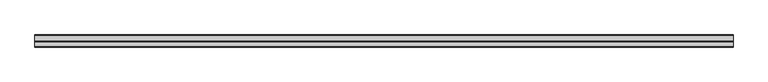
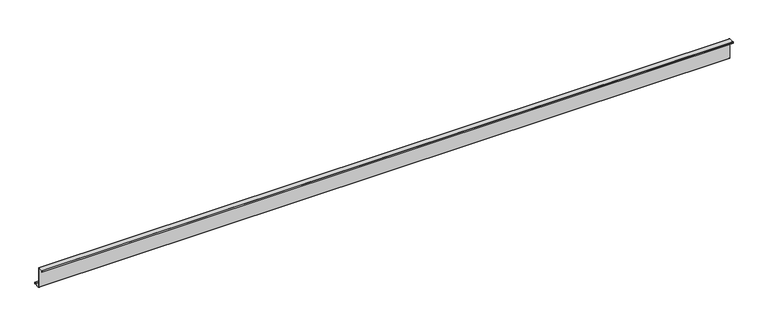
"""IFC4 building model written with IfcOpenShell, lengths in millimetres: member geometry."""

from ifc_helpers import new_model, si_unit, point, frame, frame_2d, origin, place, context, project, spatial, polyline, circle_curve, trimmed, segment, composite_curve, outline, extrude, source, transform, mapped, element, save


def member_d6ec8b39(model_context):
    return source(origin(), model_context, "Body", "SweptSolid", [
        extrude(outline(composite_curve([segment(polyline([(0.0, -123.5), (0.0, 123.5)]), True, "CONTINUOUS"), segment(trimmed(circle_curve(frame_2d((-2.0, 123.5)), 2.0), [point((0.0, 123.5))], [point((-2.0, 125.5))], True, "CARTESIAN"), True, "CONTINUOUS"), segment(polyline([(-2.0, 125.5), (-63.5, 125.5)]), True, "CONTINUOUS"), segment(trimmed(circle_curve(frame_2d((-63.5, 123.5)), 2.0), [point((-63.5, 125.5))], [point((-65.5, 123.5))], True, "CARTESIAN"), True, "CONTINUOUS"), segment(polyline([(-65.5, 123.5), (-65.5, 107.0), (-67.0, 107.0), (-67.0, 123.5)]), True, "CONTINUOUS"), segment(trimmed(circle_curve(frame_2d((-63.5, 123.5)), 3.5), [point((-67.0, 123.5))], [point((-63.5, 127.0))], False, "CARTESIAN"), True, "CONTINUOUS"), segment(polyline([(-63.5, 127.0), (-2.0, 127.0)]), True, "CONTINUOUS"), segment(trimmed(circle_curve(frame_2d((-2.0, 123.5)), 3.5), [point((-2.0, 127.0))], [point((1.5, 123.5))], False, "CARTESIAN"), True, "CONTINUOUS"), segment(polyline([(1.5, 123.5), (1.5, -123.5)]), True, "CONTINUOUS"), segment(trimmed(circle_curve(frame_2d((3.5, -123.5)), 2.0), [point((1.5, -123.5))], [point((3.5, -125.5))], True, "CARTESIAN"), True, "CONTINUOUS"), segment(polyline([(3.5, -125.5), (75.0, -125.5)]), True, "CONTINUOUS"), segment(trimmed(circle_curve(frame_2d((75.0, -123.5)), 2.0), [point((75.0, -125.5))], [point((77.0, -123.5))], True, "CARTESIAN"), True, "CONTINUOUS"), segment(polyline([(77.0, -123.5), (77.0, -107.5), (78.5, -107.5), (78.5, -123.5)]), True, "CONTINUOUS"), segment(trimmed(circle_curve(frame_2d((75.0, -123.5)), 3.5), [point((78.5, -123.5))], [point((75.0, -127.0))], False, "CARTESIAN"), True, "CONTINUOUS"), segment(polyline([(75.0, -127.0), (3.5, -127.0)]), True, "CONTINUOUS"), segment(trimmed(circle_curve(frame_2d((3.5, -123.5)), 3.5), [point((3.5, -127.0))], [point((0.0, -123.5))], False, "CARTESIAN"), True, "CONTINUOUS")], self_intersect=False)), frame((-4472.0, 0.0, 0.0), z_axis=(1.0, 0.0, 0.0), x_axis=(0.0, 1.0, 0.0)), (0.0, 0.0, 1.0), 8344.0),
    ])


if __name__ == "__main__":
    model = new_model("IFC4")
    model_context = context("Model", 3, world=origin())
    ifc_project = project(units=[si_unit("LENGTHUNIT", "METRE", prefix="MILLI")], contexts=[model_context])
    site = spatial("IfcSite", under=ifc_project)
    building = spatial("IfcBuilding", under=site)
    placement = place(None, origin())
    member_shape = member_d6ec8b39(model_context)
    element("IfcMember", 1, at=placement, inside=building, context=model_context, shape_type="MappedRepresentation", body=[
        mapped(member_shape, transform((0.0, 0.0, 0.0), x_axis=(1.0, 0.0, 0.0), y_axis=(0.0, 1.0, 0.0), z_axis=(0.0, 0.0, 1.0))),
    ])
    save(model, "model.ifc")
